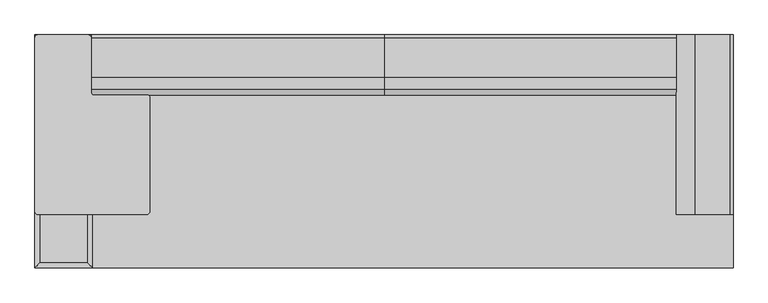
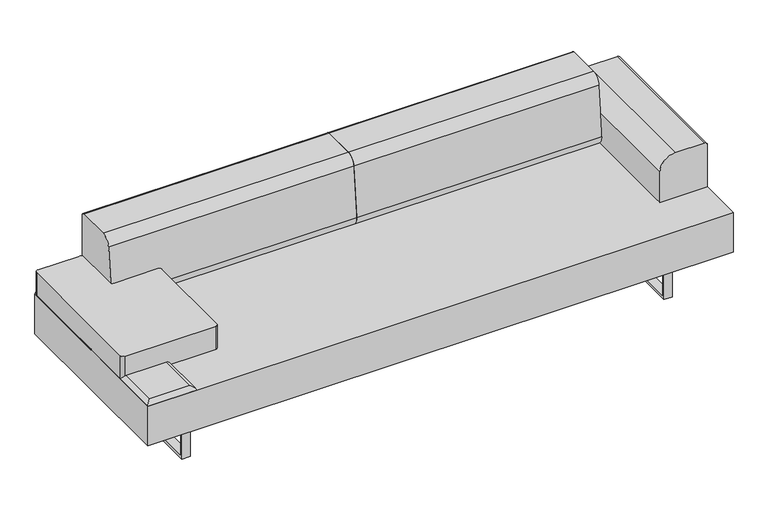
"""IFC4 building model written with IfcOpenShell, lengths in millimetres: furniture geometry."""

from ifc_helpers import new_model, si_unit, point, frame, frame_2d, origin, place, context, project, spatial, polyline, circle_curve, ellipse_curve, trimmed, segment, composite_curve, outline, extrude, source, transform, mapped, element, save
from ifc_brep_helpers import plane_surface, cylinder_surface, advanced_brep


def furniture_a7cb8c4e(model_context):
    return source(origin(), model_context, "Body", "SolidModel", [
        advanced_brep(
        [(-1128.5755122, 17.9605122, 411.6605122), (-1128.5755122, 204.2894878, 411.6605122), (-1312.3644878, 204.2894878, 411.6605122), (-1312.3644878, 17.9605122, 411.6605122), (-1110.615, 222.25, 393.7), (-1110.615, 0.0, 393.7), (-1330.325, 0.0, 393.7), (-1330.325, 222.25, 393.7)],
        [
            (0, 1),
            (1, 2),
            (2, 3),
            (3, 0),
            (4, 5),
            (5, 6),
            (6, 7),
            (7, 4),
            (4, 1, ellipse_curve(frame((-1128.5755122, 204.2894878, 393.7), z_axis=(0.7071067811865475, -0.7071067811865475, 0.0), x_axis=(0.7071067811865474, 0.7071067811865476, 0.0)), 25.4, 17.9605122)),
            (0, 5, ellipse_curve(frame((-1128.5755122, 17.9605122, 393.7), z_axis=(0.7071067811865475, 0.7071067811865475, 0.0), x_axis=(-0.7071067811865474, 0.7071067811865476, 0.0)), 25.4, 17.9605122)),
            (3, 6, ellipse_curve(frame((-1312.3644878, 17.9605122, 393.7), z_axis=(0.7071067811865475, -0.7071067811865475, 0.0), x_axis=(0.7071067811865476, 0.7071067811865474, 0.0)), 25.4, 17.9605122)),
            (2, 7, ellipse_curve(frame((-1312.3644878, 204.2894878, 393.7), z_axis=(-0.7071067811865475, -0.7071067811865475, 0.0), x_axis=(0.7071067811865474, -0.7071067811865476, 0.0)), 25.4, 17.9605122)),
        ],
        [
            plane_surface(frame((-1312.3644878, 204.2894878, 411.6605122), z_axis=(0.0, 0.0, 1.0), x_axis=(-1.0, 0.0, 0.0))),
            plane_surface(frame((-1312.3644878, 204.2894878, 393.7), z_axis=(0.0, 0.0, -1.0), x_axis=(1.0, 0.0, 0.0))),
            cylinder_surface(frame((-1128.5755122, 222.25, 393.7), z_axis=(0.0, 1.0, 0.0), x_axis=(1.0, 0.0, 0.0)), 17.9605122),
            cylinder_surface(frame((-1110.615, 17.9605122, 393.7), z_axis=(1.0, 0.0, 0.0), x_axis=(0.0, -1.0, 0.0)), 17.9605122),
            cylinder_surface(frame((-1312.3644878, 0.0, 393.7), z_axis=(0.0, -1.0, 0.0), x_axis=(-1.0, 0.0, 0.0)), 17.9605122),
            cylinder_surface(frame((-1330.325, 204.2894878, 393.7), z_axis=(-1.0, 0.0, 0.0), x_axis=(0.0, 1.0, 0.0)), 17.9605122),
        ],
        [
            (0, [[1, 2, 3, 4]]),
            (1, [[5, 6, 7, 8]]),
            (2, [[9, -1, 10, -5]]),
            (3, [[-10, -4, 11, -6]]),
            (4, [[-11, -3, 12, -7]]),
            (5, [[-9, -8, -12, -2]]),
        ],
    ),
        advanced_brep(
        [(-1128.5755122, 240.2105122, 411.6605122), (-1128.5755122, 426.5394878, 411.6605122), (-1312.3644878, 426.5394878, 411.6605122), (-1312.3644878, 240.2105122, 411.6605122), (-1110.615, 444.5, 393.7), (-1110.615, 222.25, 393.7), (-1330.325, 222.25, 393.7), (-1330.325, 444.5, 393.7)],
        [
            (0, 1),
            (1, 2),
            (2, 3),
            (3, 0),
            (4, 5),
            (5, 6),
            (6, 7),
            (7, 4),
            (4, 1, ellipse_curve(frame((-1128.5755122, 426.5394878, 393.7), z_axis=(0.7071067811865475, -0.7071067811865475, 0.0), x_axis=(0.7071067811865474, 0.7071067811865476, 0.0)), 25.4, 17.9605122)),
            (0, 5, ellipse_curve(frame((-1128.5755122, 240.2105122, 393.7), z_axis=(0.7071067811865475, 0.7071067811865475, 0.0), x_axis=(-0.7071067811865474, 0.7071067811865476, 0.0)), 25.4, 17.9605122)),
            (3, 6, ellipse_curve(frame((-1312.3644878, 240.2105122, 393.7), z_axis=(0.7071067811865475, -0.7071067811865475, 0.0), x_axis=(0.7071067811865476, 0.7071067811865474, 0.0)), 25.4, 17.9605122)),
            (2, 7, ellipse_curve(frame((-1312.3644878, 426.5394878, 393.7), z_axis=(-0.7071067811865475, -0.7071067811865475, 0.0), x_axis=(0.7071067811865474, -0.7071067811865476, 0.0)), 25.4, 17.9605122)),
        ],
        [
            plane_surface(frame((-1312.3644878, 426.5394878, 411.6605122), z_axis=(0.0, 0.0, 1.0), x_axis=(-1.0, 0.0, 0.0))),
            plane_surface(frame((-1312.3644878, 426.5394878, 393.7), z_axis=(0.0, 0.0, -1.0), x_axis=(1.0, 0.0, 0.0))),
            cylinder_surface(frame((-1128.5755122, 444.5, 393.7), z_axis=(0.0, 1.0, 0.0), x_axis=(1.0, 0.0, 0.0)), 17.9605122),
            cylinder_surface(frame((-1110.615, 240.2105122, 393.7), z_axis=(1.0, 0.0, 0.0), x_axis=(0.0, -1.0, 0.0)), 17.9605122),
            cylinder_surface(frame((-1312.3644878, 222.25, 393.7), z_axis=(0.0, -1.0, 0.0), x_axis=(-1.0, 0.0, 0.0)), 17.9605122),
            cylinder_surface(frame((-1330.325, 426.5394878, 393.7), z_axis=(-1.0, 0.0, 0.0), x_axis=(0.0, 1.0, 0.0)), 17.9605122),
        ],
        [
            (0, [[1, 2, 3, 4]]),
            (1, [[5, 6, 7, 8]]),
            (2, [[9, -1, 10, -5]]),
            (3, [[-10, -4, 11, -6]]),
            (4, [[-11, -3, 12, -7]]),
            (5, [[-9, -8, -12, -2]]),
        ],
    ),
        advanced_brep(
        [(-1110.615, -222.25, 393.7), (-1128.5755122, -240.2105122, 411.6605122), (-1128.5755122, -426.5394878, 411.6605122), (-1110.615, -444.5, 393.7), (-1312.3644878, -426.5394878, 411.6605122), (-1330.325, -444.5, 393.7), (-1312.3644878, -240.2105122, 411.6605122), (-1330.325, -222.25, 393.7)],
        [
            (0, 1, ellipse_curve(frame((-1128.5755122, -240.2105122, 393.7), z_axis=(0.7071067811865475, -0.7071067811865475, 0.0), x_axis=(0.7071067811865474, 0.7071067811865476, 0.0)), 25.4, 17.9605122)),
            (1, 2),
            (2, 3, ellipse_curve(frame((-1128.5755122, -426.5394878, 393.7), z_axis=(0.7071067811865475, 0.7071067811865475, 0.0), x_axis=(-0.7071067811865474, 0.7071067811865476, 0.0)), 25.4, 17.9605122)),
            (3, 0),
            (2, 4),
            (4, 5, ellipse_curve(frame((-1312.3644878, -426.5394878, 393.7), z_axis=(0.7071067811865475, -0.7071067811865475, 0.0), x_axis=(0.7071067811865476, 0.7071067811865474, 0.0)), 25.4, 17.9605122)),
            (5, 3),
            (4, 6),
            (6, 7, ellipse_curve(frame((-1312.3644878, -240.2105122, 393.7), z_axis=(-0.7071067811865475, -0.7071067811865475, 0.0), x_axis=(0.7071067811865474, -0.7071067811865476, 0.0)), 25.4, 17.9605122)),
            (7, 5),
            (0, 7),
            (6, 1),
        ],
        [
            cylinder_surface(frame((-1128.5755122, -222.25, 393.7), z_axis=(0.0, 1.0, 0.0), x_axis=(1.0, 0.0, 0.0)), 17.9605122),
            cylinder_surface(frame((-1110.615, -426.5394878, 393.7), z_axis=(1.0, 0.0, 0.0), x_axis=(0.0, -1.0, 0.0)), 17.9605122),
            cylinder_surface(frame((-1312.3644878, -444.5, 393.7), z_axis=(0.0, -1.0, 0.0), x_axis=(-1.0, 0.0, 0.0)), 17.9605122),
            cylinder_surface(frame((-1330.325, -240.2105122, 393.7), z_axis=(-1.0, 0.0, 0.0), x_axis=(0.0, 1.0, 0.0)), 17.9605122),
            plane_surface(frame((-1330.325, -222.25, 393.7), z_axis=(0.0, 0.0, -1.0), x_axis=(1.0, 0.0, 0.0))),
            plane_surface(frame((-1312.3644878, -240.2105122, 411.6605122), z_axis=(0.0, 0.0, 1.0), x_axis=(-1.0, 0.0, 0.0))),
        ],
        [
            (0, [[1, 2, 3, 4]]),
            (1, [[-3, 5, 6, 7]]),
            (2, [[-6, 8, 9, 10]]),
            (3, [[-1, 11, -9, 12]]),
            (4, [[-4, -7, -10, -11]]),
            (5, [[-2, -12, -8, -5]]),
        ],
    ),
        extrude(outline(polyline([(-339.4724839, 0.0), (-339.4724839, 203.2), (341.6588694, 203.2), (341.6588694, 0.0), (-339.4724839, 0.0)]), holes=[polyline([(-326.7724839, 190.5), (-326.7724839, 12.7), (328.9588694, 12.7), (328.9588694, 190.5), (-326.7724839, 190.5)])]), frame((-1114.425, 0.0, 0.0), z_axis=(1.0, 0.0, 0.0), x_axis=(0.0, 1.0, 0.0)), (0.0, 0.0, 1.0), 38.0999535),
        extrude(outline(polyline([(-339.4724839, 203.2), (341.6588694, 203.2), (341.6588694, 0.0), (-339.4724839, 0.0), (-339.4724839, 203.2)]), holes=[polyline([(-326.7724839, 12.7), (328.9588694, 12.7), (328.9588694, 190.5), (-326.7724839, 190.5), (-326.7724839, 12.7)])]), frame((1076.3250465, 0.0, 0.0), z_axis=(1.0, 0.0, 0.0), x_axis=(0.0, 1.0, 0.0)), (0.0, 0.0, 1.0), 38.0999535),
        extrude(outline(polyline([(1330.325, 444.5), (1330.325, -444.5), (-1330.325, -444.5), (-1330.325, 444.5), (1330.325, 444.5)])), frame((0.0, 0.0, 203.2), z_axis=(0.0, 0.0, 1.0), x_axis=(1.0, 0.0, 0.0)), (0.0, 0.0, 1.0), 190.5),
        extrude(outline(composite_curve([segment(trimmed(circle_curve(frame_2d((596.9, 1317.625)), 12.7), [point((596.9, 1330.325))], [point((609.6, 1317.625))], False, "CARTESIAN"), True, "CONTINUOUS"), segment(polyline([(609.6, 1317.625), (609.6, 1184.2752345)]), True, "CONTINUOUS"), segment(trimmed(circle_curve(frame_2d((539.7497655, 1184.2752345)), 69.8502345), [point((609.6, 1184.2752345))], [point((539.7497655, 1114.425))], False, "CARTESIAN"), True, "CONTINUOUS"), segment(polyline([(539.7497655, 1114.425), (393.7, 1114.425), (393.7, 1330.325), (596.9, 1330.325)]), True, "CONTINUOUS")], self_intersect=False)), frame((0.0, -241.3, 0.0), z_axis=(0.0, 1.0, 0.0), x_axis=(0.0, 0.0, 1.0)), (0.0, 0.0, 1.0), 685.8),
        extrude(outline(composite_curve([segment(polyline([(444.5, 393.7), (232.6067514, 393.7)]), True, "CONTINUOUS"), segment(trimmed(circle_curve(frame_2d((263.4189927, 430.9463408)), 48.3392606), [point((232.6067514, 393.7))], [point((215.3053904, 435.6116811))], False, "CARTESIAN"), True, "CONTINUOUS"), segment(polyline([(215.3053904, 435.6116811), (237.9512344, 669.1580194)]), True, "CONTINUOUS"), segment(trimmed(circle_curve(frame_2d((282.1937319, 664.8680412)), 44.45), [point((237.9512344, 669.1580194))], [point((282.1937319, 709.3180412))], False, "CARTESIAN"), True, "CONTINUOUS"), segment(polyline([(282.1937319, 709.3180412), (434.544558, 709.3180412)]), True, "CONTINUOUS"), segment(trimmed(circle_curve(frame_2d((434.544558, 699.3625993)), 9.955442), [point((434.544558, 709.3180412))], [point((444.5, 699.3625993))], False, "CARTESIAN"), True, "CONTINUOUS"), segment(polyline([(444.5, 699.3625993), (444.5, 393.7)]), True, "CONTINUOUS")], self_intersect=False)), frame((-1114.425, 0.0, 0.0), z_axis=(1.0, 0.0, 0.0), x_axis=(0.0, 1.0, 0.0)), (0.0, 0.0, 1.0), 1114.425),
        extrude(outline(composite_curve([segment(polyline([(-1330.325, -228.6704079), (-1330.325, 431.813411)]), True, "CONTINUOUS"), segment(trimmed(circle_curve(frame_2d((-1317.638411, 431.813411)), 12.686589), [point((-1330.325, 431.813411))], [point((-1317.638411, 444.5))], False, "CARTESIAN"), True, "CONTINUOUS"), segment(polyline([(-1317.638411, 444.5), (-1129.4224317, 444.5)]), True, "CONTINUOUS"), segment(trimmed(circle_curve(frame_2d((-1129.4224317, 429.5025683)), 14.9974317), [point((-1129.4224317, 444.5))], [point((-1114.425, 429.5025683))], False, "CARTESIAN"), True, "CONTINUOUS"), segment(polyline([(-1114.425, 429.5025683), (-1114.425, 216.6625481)]), True, "CONTINUOUS"), segment(trimmed(circle_curve(frame_2d((-1106.5121166, 235.7890089)), 20.6986769), [point((-1114.425, 216.6625481))], [point((-1103.5361124, 215.3053904))], True, "CARTESIAN"), True, "CONTINUOUS"), segment(polyline([(-1103.5361124, 215.3053904), (-903.6748743, 215.3053904)]), True, "CONTINUOUS"), segment(trimmed(circle_curve(frame_2d((-903.6748743, 203.749728)), 11.5556624), [point((-903.6748743, 215.3053904))], [point((-892.1192118, 203.749728))], False, "CARTESIAN"), True, "CONTINUOUS"), segment(polyline([(-892.1192118, 203.749728), (-892.1192118, -228.8858225)]), True, "CONTINUOUS"), segment(trimmed(circle_curve(frame_2d((-904.5333894, -228.8858225)), 12.4141775), [point((-892.1192118, -228.8858225))], [point((-904.5333894, -241.3))], False, "CARTESIAN"), True, "CONTINUOUS"), segment(polyline([(-904.5333894, -241.3), (-1317.6954079, -241.3)]), True, "CONTINUOUS"), segment(trimmed(circle_curve(frame_2d((-1317.6954079, -228.6704079)), 12.6295921), [point((-1317.6954079, -241.3))], [point((-1330.325, -228.6704079))], False, "CARTESIAN"), True, "CONTINUOUS")], self_intersect=False)), frame((0.0, 0.0, 393.7), z_axis=(0.0, 0.0, 1.0), x_axis=(1.0, 0.0, 0.0)), (0.0, 0.0, 1.0), 111.7620251),
        extrude(outline(composite_curve([segment(polyline([(444.5, 393.7), (232.6067514, 393.7)]), True, "CONTINUOUS"), segment(trimmed(circle_curve(frame_2d((263.4189927, 430.9463408)), 48.3392606), [point((232.6067514, 393.7))], [point((215.3053904, 435.6116811))], False, "CARTESIAN"), True, "CONTINUOUS"), segment(polyline([(215.3053904, 435.6116811), (237.9512344, 669.1580194)]), True, "CONTINUOUS"), segment(trimmed(circle_curve(frame_2d((282.1937319, 664.8680412)), 44.45), [point((237.9512344, 669.1580194))], [point((282.1937319, 709.3180412))], False, "CARTESIAN"), True, "CONTINUOUS"), segment(polyline([(282.1937319, 709.3180412), (434.544558, 709.3180412)]), True, "CONTINUOUS"), segment(trimmed(circle_curve(frame_2d((434.544558, 699.3625993)), 9.955442), [point((434.544558, 709.3180412))], [point((444.5, 699.3625993))], False, "CARTESIAN"), True, "CONTINUOUS"), segment(polyline([(444.5, 699.3625993), (444.5, 393.7)]), True, "CONTINUOUS")], self_intersect=False)), frame((0.0, 0.0, 0.0), z_axis=(1.0, 0.0, 0.0), x_axis=(0.0, 1.0, 0.0)), (0.0, 0.0, 1.0), 1114.425),
    ])


if __name__ == "__main__":
    model = new_model("IFC4")
    model_context = context("Model", 3, world=origin())
    ifc_project = project(units=[si_unit("LENGTHUNIT", "METRE", prefix="MILLI")], contexts=[model_context])
    site = spatial("IfcSite", under=ifc_project)
    building = spatial("IfcBuilding", under=site)
    placement = place(None, origin())
    furniture_shape = furniture_a7cb8c4e(model_context)
    element("IfcFurniture", 1, at=placement, inside=building, context=model_context, shape_type="MappedRepresentation", body=[
        mapped(furniture_shape, transform((0.0, 0.0, 0.0), x_axis=(1.0, 0.0, 0.0), y_axis=(0.0, 1.0, 0.0), z_axis=(0.0, 0.0, 1.0))),
    ])
    save(model, "model.ifc")
